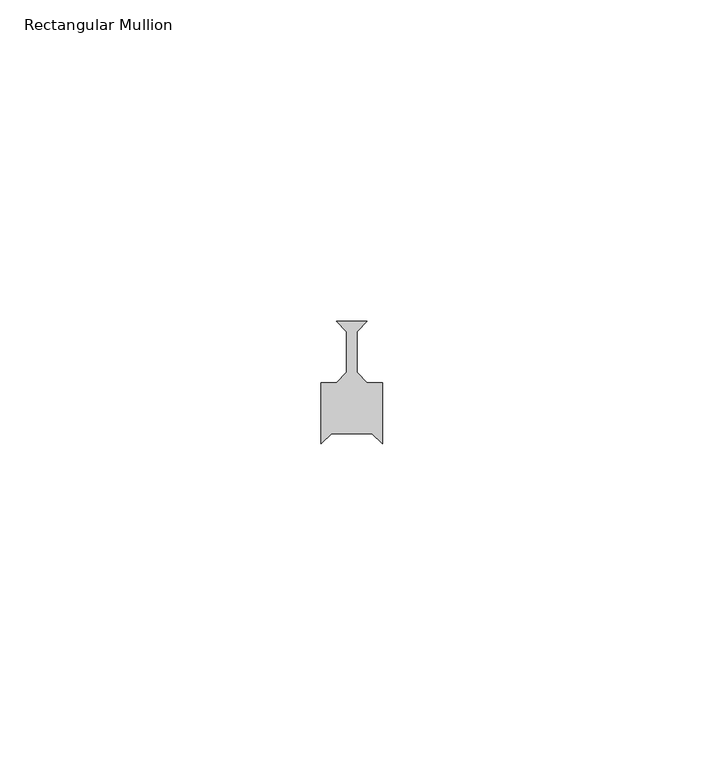
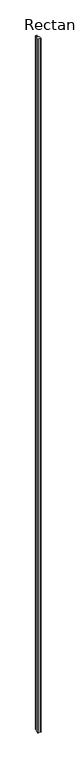
"""IFC4 building model written with IfcOpenShell, lengths in millimetres: member geometry, Rectangular Mullion."""

import ifcopenshell
import ifcopenshell.guid

model = None  # the IFC model being written
_history = None  # IfcOwnerHistory: only IFC2X3 demands one
_inside = {}  # id of a spatial element -> (the spatial element, [elements in it])
_under = {}  # id of a project, library or spatial element -> (it, [spatial elements below it])
_declared = {}  # id of a project -> (the project, [libraries it declares])
_typed = {}  # id of a type object -> (the type object, [elements of that type])
_made_of = {}  # id of a material, layer set ... -> (it, [elements and type objects made of it])


def new_model(schema):
    """Start an empty IFC model of exactly this schema.

    Asked for "IFC4X3", IfcOpenShell would pick the latest addendum, in which some entities
    have other attributes; the version numbers below select the first issue.
    IFC2X3 requires an IfcOwnerHistory on every rooted entity: one is made here for all.
    """
    global model, _history
    if schema == "IFC4X3":
        model = ifcopenshell.file(schema_version=(4, 3, 0, 0))
    else:
        model = ifcopenshell.file(schema=schema)
    _inside.clear()
    _under.clear()
    _declared.clear()
    _typed.clear()
    _made_of.clear()
    _history = None
    if model.schema == "IFC2X3":
        org = make("IfcOrganization", Name="unknown")
        user = make(
            "IfcPersonAndOrganization",
            ThePerson=make("IfcPerson", FamilyName="unknown"),
            TheOrganization=org,
        )
        app = make(
            "IfcApplication",
            ApplicationDeveloper=org,
            Version="unknown",
            ApplicationFullName="unknown",
            ApplicationIdentifier="unknown",
        )
        _history = make(
            "IfcOwnerHistory",
            OwningUser=user,
            OwningApplication=app,
            ChangeAction="ADDED",
            CreationDate=0,
        )
    return model


def make(cls, **values):
    """One entity of the class cls with the attributes given. An attribute that is None is left unset."""
    return model.create_entity(
        cls, **{name: value for name, value in values.items() if value is not None}
    )


def rooted(cls, **values):
    """An entity with a GlobalId (a new one), such as an element, a storey or a relation."""
    return make(cls, GlobalId=ifcopenshell.guid.new(), OwnerHistory=_history, **values)


def si_unit(unit_type, name, prefix=None):
    """IfcSIUnit, for example si_unit("LENGTHUNIT", "METRE", prefix="MILLI")."""
    return make("IfcSIUnit", UnitType=unit_type, Prefix=prefix, Name=name)


def assignment(units):
    """IfcUnitAssignment: the units of a project."""
    return None if units is None else make("IfcUnitAssignment", Units=units)


def point(xyz):
    """IfcCartesianPoint."""
    return None if xyz is None else make("IfcCartesianPoint", Coordinates=xyz)


def direction(xyz):
    """IfcDirection."""
    return None if xyz is None else make("IfcDirection", DirectionRatios=xyz)


def frame(location, z_axis=None, x_axis=None):
    """IfcAxis2Placement3D, a coordinate frame: its origin and axes. An axis left out is left unset."""
    return make(
        "IfcAxis2Placement3D",
        Location=point(location),
        Axis=direction(z_axis),
        RefDirection=direction(x_axis),
    )


def origin():
    """The frame at (0, 0, 0) with its axes left unset."""
    return frame((0.0, 0.0, 0.0))


def place(relative_to, where):
    """IfcLocalPlacement: puts the frame where relative to a parent placement (None: the world)."""
    return make(
        "IfcLocalPlacement", PlacementRelTo=relative_to, RelativePlacement=where
    )


def context(
    kind, dimensions, precision=None, world=None, true_north=None, identifier=None
):
    """IfcGeometricRepresentationContext, for example the 3D "Model" context."""
    return make(
        "IfcGeometricRepresentationContext",
        ContextIdentifier=identifier,
        ContextType=kind,
        CoordinateSpaceDimension=dimensions,
        Precision=precision,
        WorldCoordinateSystem=world,
        TrueNorth=true_north,
    )


def project(units=None, contexts=None):
    """IfcProject with its units and contexts."""
    return rooted(
        "IfcProject",
        Name="project",
        RepresentationContexts=contexts,
        UnitsInContext=assignment(units),
    )


def spatial(cls, under=None, at=None, **own):
    """A site, building, storey or space (cls), placed at a placement, below another one or the project."""
    s = rooted(cls, ObjectPlacement=at, **own)
    if under is not None:
        _under.setdefault(under.id(), (under, []))[1].append(s)
    return s


def polyline(points):
    """IfcPolyline through the points."""
    return make("IfcPolyline", Points=[point(p) for p in points])


def outline(outer, holes=None, kind="AREA"):
    """IfcArbitraryClosedProfileDef: a profile drawn as a closed curve; with holes, ...WithVoids."""
    if holes is None:
        return make("IfcArbitraryClosedProfileDef", ProfileType=kind, OuterCurve=outer)
    return make(
        "IfcArbitraryProfileDefWithVoids",
        ProfileType=kind,
        OuterCurve=outer,
        InnerCurves=holes,
    )


def extrude(swept, where, along, depth):
    """IfcExtrudedAreaSolid: the profile swept, set in the frame where, extruded along a direction by depth."""
    return make(
        "IfcExtrudedAreaSolid",
        SweptArea=swept,
        Position=where,
        ExtrudedDirection=direction(along),
        Depth=depth,
    )


def shape(context_of_items, identifier, shape_type, items):
    """IfcShapeRepresentation: the items that make up one representation, for example the "Body"."""
    return make(
        "IfcShapeRepresentation",
        ContextOfItems=context_of_items,
        RepresentationIdentifier=identifier,
        RepresentationType=shape_type,
        Items=items,
    )


def source(mapping_origin, context_of_items, identifier, shape_type, items):
    """IfcRepresentationMap: a shape defined once, which mapped items show again and again."""
    return make(
        "IfcRepresentationMap",
        MappingOrigin=mapping_origin,
        MappedRepresentation=shape(context_of_items, identifier, shape_type, items),
    )


def transform(
    local_origin,
    x_axis=None,
    y_axis=None,
    z_axis=None,
    scale=None,
    scale2=None,
    scale3=None,
    uniform=True,
):
    """IfcCartesianTransformationOperator3D, or its non-uniform kind. x_axis, y_axis, z_axis: its Axis1, 2, 3."""
    if uniform:
        return make(
            "IfcCartesianTransformationOperator3D",
            Axis1=direction(x_axis),
            Axis2=direction(y_axis),
            LocalOrigin=point(local_origin),
            Scale=scale,
            Axis3=direction(z_axis),
        )
    return make(
        "IfcCartesianTransformationOperator3DnonUniform",
        Axis1=direction(x_axis),
        Axis2=direction(y_axis),
        LocalOrigin=point(local_origin),
        Scale=scale,
        Axis3=direction(z_axis),
        Scale2=scale2,
        Scale3=scale3,
    )


def mapped(mapping_source, mapping_target):
    """IfcMappedItem: shows the shape of a source again, moved by a transform."""
    return make(
        "IfcMappedItem", MappingSource=mapping_source, MappingTarget=mapping_target
    )


def made_of(thing, what):
    """Note that an element or type object is made of a material, layer set ...; save() writes the relation."""
    if what is not None:
        _made_of.setdefault(what.id(), (what, []))[1].append(thing)
    return thing


def element(
    cls,
    number,
    at=None,
    inside=None,
    cuts=None,
    type_object=None,
    material=None,
    context=None,
    identifier="Body",
    shape_type=None,
    held_by="IfcProductDefinitionShape",
    body=None,
    shapes=None,
    **own,
):
    """One element of the class cls, such as IfcWall. Its Tag is "e" and its number.

    at: its placement. inside: the storey or other place that contains it. cuts: it is an
    opening in that element (IfcRelVoidsElement). A single representation is given by context,
    identifier, shape_type and body (its items); several are given by shapes. held_by: the class
    of the entity that holds the representations. save() writes the other relations.
    """
    e = rooted(cls, Tag="e%d" % number, ObjectPlacement=at, **own)
    if body is not None:
        shapes = [shape(context, identifier, shape_type, body)]
    if shapes is not None:
        e.Representation = make(held_by, Representations=shapes)
    if inside is not None:
        _inside.setdefault(inside.id(), (inside, []))[1].append(e)
    if cuts is not None:
        rooted(
            "IfcRelVoidsElement", RelatingBuildingElement=cuts, RelatedOpeningElement=e
        )
    if type_object is not None:
        _typed.setdefault(type_object.id(), (type_object, []))[1].append(e)
    return made_of(e, material)


def aggregate(whole, parts):
    """IfcRelAggregates: a whole, such as a stair, and the parts it consists of."""
    return rooted("IfcRelAggregates", RelatingObject=whole, RelatedObjects=parts)


def save(model, path):
    """Write the relations noted so far, then the file.

    IfcRelAggregates (storeys below a building ...), IfcRelContainedInSpatialStructure (elements
    in a storey), IfcRelDefinesByType, IfcRelAssociatesMaterial and IfcRelDeclares: one each for
    every whole, place, type object, material and project.
    """
    for whole, parts in _under.values():
        aggregate(whole, parts)
    for where, things in _inside.values():
        rooted(
            "IfcRelContainedInSpatialStructure",
            RelatedElements=things,
            RelatingStructure=where,
        )
    for kind, things in _typed.values():
        rooted("IfcRelDefinesByType", RelatedObjects=things, RelatingType=kind)
    for what, things in _made_of.values():
        rooted("IfcRelAssociatesMaterial", RelatedObjects=things, RelatingMaterial=what)
    for by, libraries in _declared.values():
        rooted("IfcRelDeclares", RelatingContext=by, RelatedDefinitions=libraries)
    model.write(path)


def rectangular_mullion_b443a3d2(model_context):
    return source(origin(), model_context, "Body", "SweptSolid", [
        extrude(outline(polyline([(-2.38125, 4.7625), (2.38125, 4.7625), (0.79375, 3.175), (0.79375, -3.175), (2.38125, -4.7625), (4.7625, -4.7625), (4.7625, -14.2875), (3.175, -12.7), (-3.175, -12.7), (-4.7625, -14.2875), (-4.7625, -4.7625), (-2.38125, -4.7625), (-0.79375, -3.175), (-0.79375, 3.175), (-2.38125, 4.7625)])), frame((0.0, 0.0, -2359.025), z_axis=(0.0, 0.0, 1.0), x_axis=(1.0, 0.0, 0.0)), (0.0, 0.0, 1.0), 2359.025),
    ])


if __name__ == "__main__":
    model = new_model("IFC4")
    model_context = context("Model", 3, world=origin())
    ifc_project = project(units=[si_unit("LENGTHUNIT", "METRE", prefix="MILLI")], contexts=[model_context])
    site = spatial("IfcSite", under=ifc_project)
    building = spatial("IfcBuilding", under=site)
    placement = place(None, origin())
    rectangular_mullion_shape = rectangular_mullion_b443a3d2(model_context)
    element("IfcMember", 1, ObjectType="Rectangular Mullion", at=placement, inside=building, context=model_context, shape_type="MappedRepresentation", body=[
        mapped(rectangular_mullion_shape, transform((0.0, 0.0, 0.0), x_axis=(1.0, 0.0, 0.0), y_axis=(0.0, 1.0, 0.0), z_axis=(0.0, 0.0, 1.0))),
    ])
    save(model, "model.ifc")
